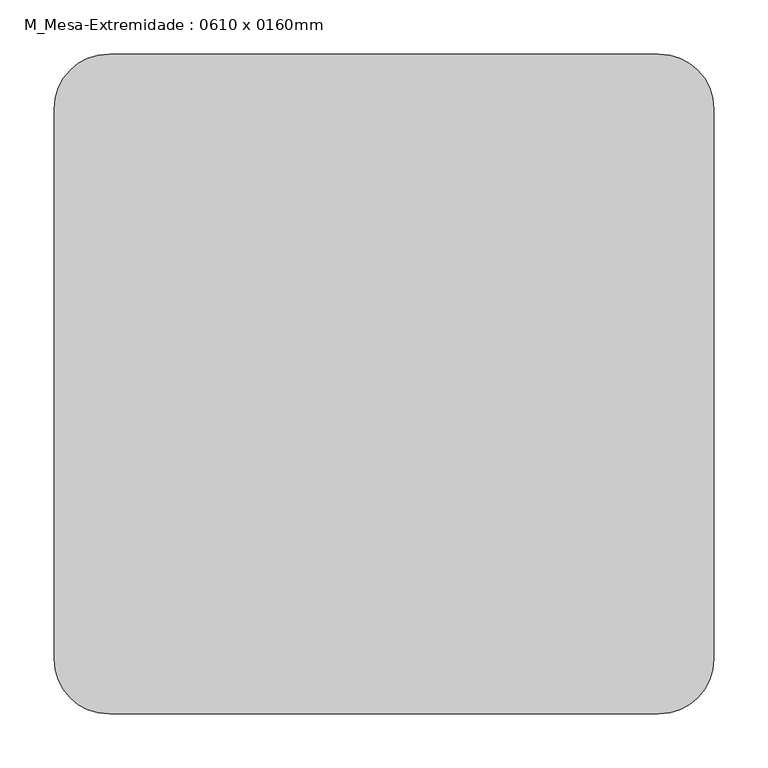
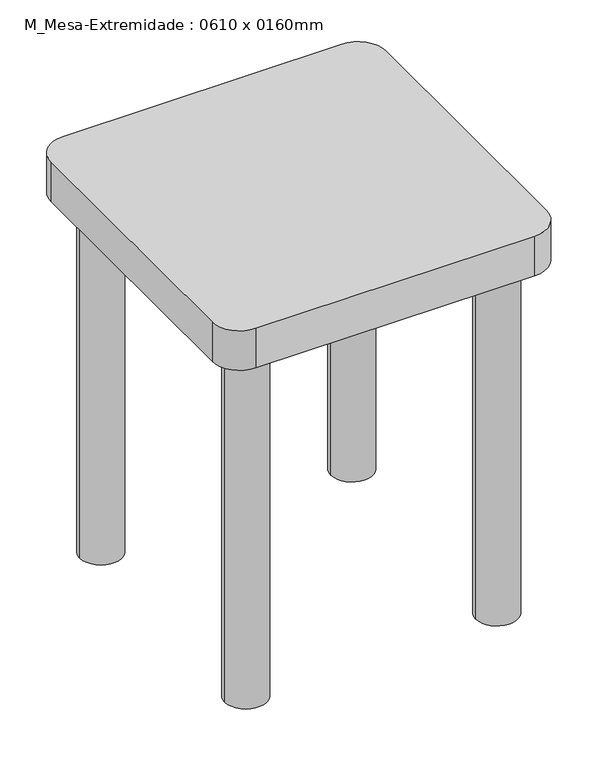
"""IFC4 building model written with IfcOpenShell, lengths in millimetres: furniture geometry, M_Mesa-Extremidade : 0610 x 0160mm."""

from ifc_helpers import new_model, si_unit, point, frame, frame_2d, origin, origin_with_axes, place, context, project, spatial, polyline, circle_curve, trimmed, segment, composite_curve, outline, extrude, source, transform, mapped, element, save


def m_mesa_extremidade_0610_x_0160mm_e0e5b28f(model_context):
    return source(origin(), model_context, "Body", "SweptSolid", [
        extrude(outline(composite_curve([segment(polyline([(562.9336303, -152.6), (54.5336303, -152.6)]), True, "CONTINUOUS"), segment(trimmed(circle_curve(frame_2d((54.5336303, -101.8)), 50.8), [point((54.5336303, -152.6))], [point((3.7336303, -101.8))], False, "CARTESIAN"), True, "CONTINUOUS"), segment(polyline([(3.7336303, -101.8), (3.7336303, 406.6)]), True, "CONTINUOUS"), segment(trimmed(circle_curve(frame_2d((54.5336303, 406.6)), 50.8), [point((3.7336303, 406.6))], [point((54.5336303, 457.4))], False, "CARTESIAN"), True, "CONTINUOUS"), segment(polyline([(54.5336303, 457.4), (562.9336303, 457.4)]), True, "CONTINUOUS"), segment(trimmed(circle_curve(frame_2d((562.9336303, 406.6)), 50.8), [point((562.9336303, 457.4))], [point((613.7336303, 406.6))], False, "CARTESIAN"), True, "CONTINUOUS"), segment(polyline([(613.7336303, 406.6), (613.7336303, -101.8)]), True, "CONTINUOUS"), segment(trimmed(circle_curve(frame_2d((562.9336303, -101.8)), 50.8), [point((613.7336303, -101.8))], [point((562.9336303, -152.6))], False, "CARTESIAN"), True, "CONTINUOUS")], self_intersect=False)), frame((0.0, 0.0, 685.8), z_axis=(0.0, 0.0, 1.0), x_axis=(1.0, 0.0, 0.0)), (0.0, 0.0, 1.0), 76.2),
        extrude(outline(composite_curve([segment(trimmed(circle_curve(frame_2d((79.9336303, 381.2)), 38.1), [point((41.8336303, 381.2))], [point((118.0336303, 381.2))], False, "CARTESIAN"), True, "CONTINUOUS"), segment(trimmed(circle_curve(frame_2d((79.9336303, 381.2)), 38.1), [point((118.0336303, 381.2))], [point((41.8336303, 381.2))], False, "CARTESIAN"), True, "CONTINUOUS")], self_intersect=False)), origin_with_axes(), (0.0, 0.0, 1.0), 685.8),
        extrude(outline(composite_curve([segment(trimmed(circle_curve(frame_2d((79.9336303, -76.4)), 38.1), [point((41.8336303, -76.4))], [point((118.0336303, -76.4))], False, "CARTESIAN"), True, "CONTINUOUS"), segment(trimmed(circle_curve(frame_2d((79.9336303, -76.4)), 38.1), [point((118.0336303, -76.4))], [point((41.8336303, -76.4))], False, "CARTESIAN"), True, "CONTINUOUS")], self_intersect=False)), origin_with_axes(), (0.0, 0.0, 1.0), 685.8),
        extrude(outline(composite_curve([segment(trimmed(circle_curve(frame_2d((537.5336303, -76.4)), 38.1), [point((499.4336303, -76.4))], [point((575.6336303, -76.4))], False, "CARTESIAN"), True, "CONTINUOUS"), segment(trimmed(circle_curve(frame_2d((537.5336303, -76.4)), 38.1), [point((575.6336303, -76.4))], [point((499.4336303, -76.4))], False, "CARTESIAN"), True, "CONTINUOUS")], self_intersect=False)), origin_with_axes(), (0.0, 0.0, 1.0), 685.8),
        extrude(outline(composite_curve([segment(trimmed(circle_curve(frame_2d((537.5336303, 381.2)), 38.1), [point((499.4336303, 381.2))], [point((575.6336303, 381.2))], False, "CARTESIAN"), True, "CONTINUOUS"), segment(trimmed(circle_curve(frame_2d((537.5336303, 381.2)), 38.1), [point((575.6336303, 381.2))], [point((499.4336303, 381.2))], False, "CARTESIAN"), True, "CONTINUOUS")], self_intersect=False)), origin_with_axes(), (0.0, 0.0, 1.0), 685.8),
    ])


if __name__ == "__main__":
    model = new_model("IFC4")
    model_context = context("Model", 3, world=origin())
    ifc_project = project(units=[si_unit("LENGTHUNIT", "METRE", prefix="MILLI")], contexts=[model_context])
    site = spatial("IfcSite", under=ifc_project)
    building = spatial("IfcBuilding", under=site)
    placement = place(None, origin())
    m_mesa_extremidade_0610_x_0160mm_shape = m_mesa_extremidade_0610_x_0160mm_e0e5b28f(model_context)
    element("IfcFurniture", 1, ObjectType="M_Mesa-Extremidade : 0610 x 0160mm", at=placement, inside=building, context=model_context, shape_type="MappedRepresentation", body=[
        mapped(m_mesa_extremidade_0610_x_0160mm_shape, transform((0.0, 0.0, 0.0), x_axis=(1.0, 0.0, 0.0), y_axis=(0.0, 1.0, 0.0), z_axis=(0.0, 0.0, 1.0))),
    ])
    save(model, "model.ifc")
